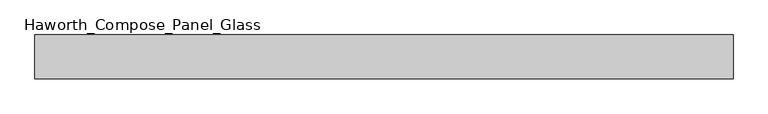
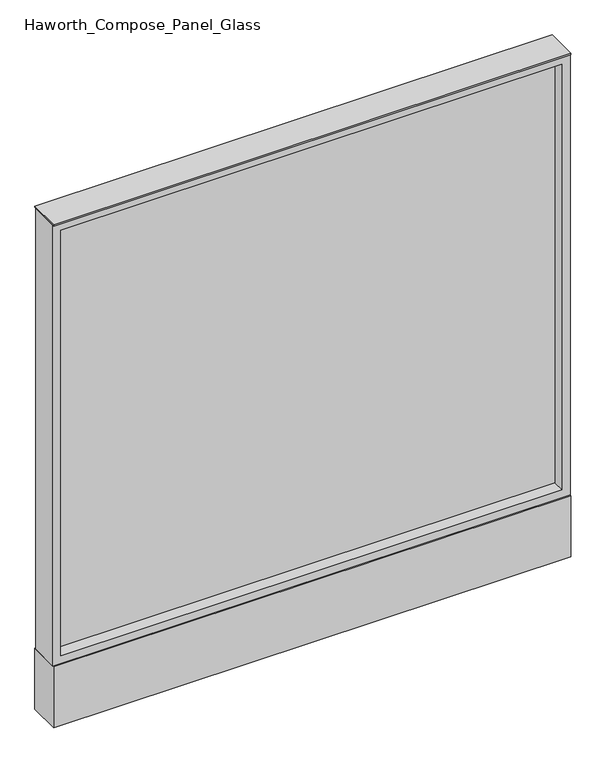
"""IFC4 building model written with IfcOpenShell, lengths in millimetres: furniture geometry, Haworth_Compose_Panel_Glass."""

from ifc_helpers import new_model, si_unit, point, frame, frame_2d, origin, origin_with_axes, place, context, project, spatial, polyline, circle_curve, trimmed, segment, composite_curve, outline, extrude, source, transform, mapped, element, save


def haworth_compose_panel_glass_96181666(model_context):
    return source(origin(), model_context, "Body", "SweptSolid", [
        extrude(outline(composite_curve([segment(trimmed(circle_curve(frame_2d((535.8402902, 0.0)), 12.7), [point((523.1402902, 0.0))], [point((548.5402902, 0.0))], False, "CARTESIAN"), True, "CONTINUOUS"), segment(trimmed(circle_curve(frame_2d((535.8402902, 0.0)), 12.7), [point((548.5402902, 0.0))], [point((523.1402902, 0.0))], False, "CARTESIAN"), True, "CONTINUOUS")], self_intersect=False)), origin_with_axes(), (0.0, 0.0, 1.0), 12.7),
        extrude(outline(composite_curve([segment(trimmed(circle_curve(frame_2d((-530.9597098, 0.0)), 12.7), [point((-543.6597098, 0.0))], [point((-518.2597098, 0.0))], False, "CARTESIAN"), True, "CONTINUOUS"), segment(trimmed(circle_curve(frame_2d((-530.9597098, 0.0)), 12.7), [point((-518.2597098, 0.0))], [point((-543.6597098, 0.0))], False, "CARTESIAN"), True, "CONTINUOUS")], self_intersect=False)), origin_with_axes(), (0.0, 0.0, 1.0), 12.7),
        extrude(outline(polyline([(592.9902902, -6.35), (-588.1097098, -6.35), (-588.1097098, 6.35), (592.9902902, 6.35), (592.9902902, -6.35)])), frame((0.0, 0.0, 184.15), z_axis=(0.0, 0.0, 1.0), x_axis=(1.0, 0.0, 0.0)), (0.0, 0.0, 1.0), 1060.45),
        extrude(outline(polyline([(1263.65, -607.1597098), (165.1, -607.1597098), (165.1, 612.0402902), (1263.65, 612.0402902), (1263.65, -607.1597098)]), holes=[polyline([(1244.6, 592.9902902), (184.15, 592.9902902), (184.15, -588.1097098), (1244.6, -588.1097098), (1244.6, 592.9902902)])]), frame((0.0, -34.925, 0.0), z_axis=(0.0, 1.0, 0.0), x_axis=(0.0, 0.0, 1.0)), (0.0, 0.0, 1.0), 69.85),
        extrude(outline(polyline([(-607.1597098, 38.1), (612.0402902, 38.1), (612.0402902, -38.1), (-607.1597098, -38.1), (-607.1597098, 38.1)])), frame((0.0, 0.0, 12.7), z_axis=(0.0, 0.0, 1.0), x_axis=(1.0, 0.0, 0.0)), (0.0, 0.0, 1.0), 152.4),
        extrude(outline(polyline([(-607.1597098, -38.1), (-607.1597098, 38.1), (612.0402902, 38.1), (612.0402902, -38.1), (-607.1597098, -38.1)])), frame((0.0, 0.0, 1263.65), z_axis=(0.0, 0.0, 1.0), x_axis=(1.0, 0.0, 0.0)), (0.0, 0.0, 1.0), 3.175),
    ])


if __name__ == "__main__":
    model = new_model("IFC4")
    model_context = context("Model", 3, world=origin())
    ifc_project = project(units=[si_unit("LENGTHUNIT", "METRE", prefix="MILLI")], contexts=[model_context])
    site = spatial("IfcSite", under=ifc_project)
    building = spatial("IfcBuilding", under=site)
    placement = place(None, origin())
    haworth_compose_panel_glass_shape = haworth_compose_panel_glass_96181666(model_context)
    element("IfcFurniture", 1, ObjectType="Haworth_Compose_Panel_Glass", at=placement, inside=building, context=model_context, shape_type="MappedRepresentation", body=[
        mapped(haworth_compose_panel_glass_shape, transform((0.0, 0.0, 0.0), x_axis=(1.0, 0.0, 0.0), y_axis=(0.0, 1.0, 0.0), z_axis=(0.0, 0.0, 1.0))),
    ])
    save(model, "model.ifc")
